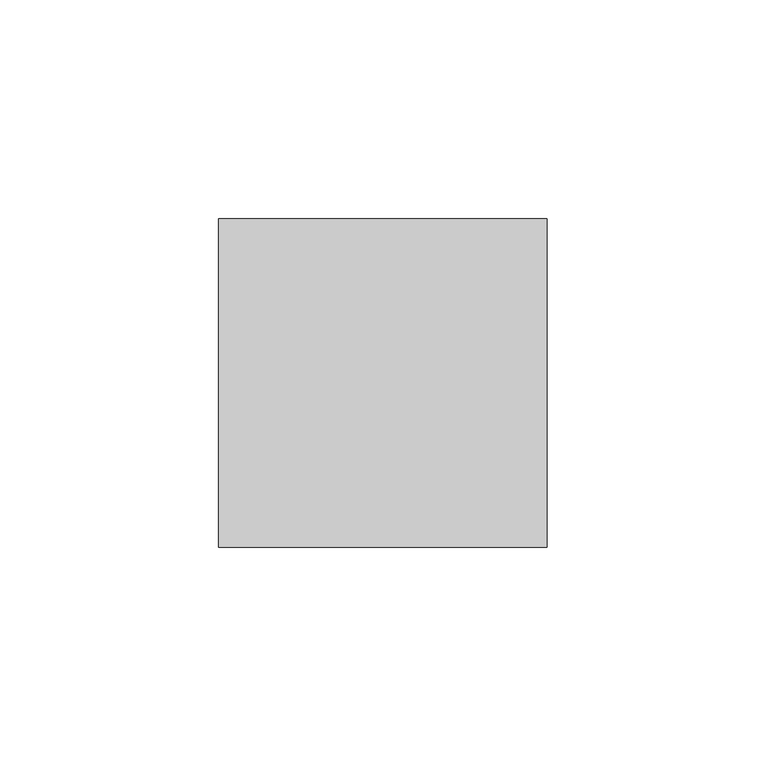
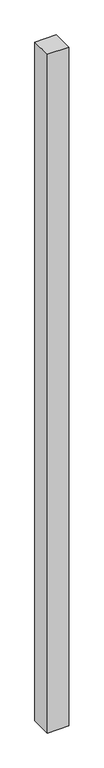
"""IFC4 building model written with IfcOpenShell, lengths in millimetres: member geometry."""

from ifc_helpers import new_model, si_unit, frame, origin, place, context, project, spatial, polyline, outline, extrude, source, transform, mapped, element, save


def member_ff74b6a3(model_context):
    return source(origin(), model_context, "Body", "SweptSolid", [
        extrude(outline(polyline([(0.0, -37.5), (-75.0, -37.5), (-75.0, 37.5), (0.0, 37.5), (0.0, -37.5)])), frame((0.0, 0.0, -2500.0), z_axis=(0.0, 0.0, 1.0), x_axis=(1.0, 0.0, 0.0)), (0.0, 0.0, 1.0), 2500.0),
    ])


if __name__ == "__main__":
    model = new_model("IFC4")
    model_context = context("Model", 3, world=origin())
    ifc_project = project(units=[si_unit("LENGTHUNIT", "METRE", prefix="MILLI")], contexts=[model_context])
    site = spatial("IfcSite", under=ifc_project)
    building = spatial("IfcBuilding", under=site)
    placement = place(None, origin())
    member_shape = member_ff74b6a3(model_context)
    element("IfcMember", 1, at=placement, inside=building, context=model_context, shape_type="MappedRepresentation", body=[
        mapped(member_shape, transform((0.0, 0.0, 0.0), x_axis=(1.0, 0.0, 0.0), y_axis=(0.0, 1.0, 0.0), z_axis=(0.0, 0.0, 1.0))),
    ])
    save(model, "model.ifc")
